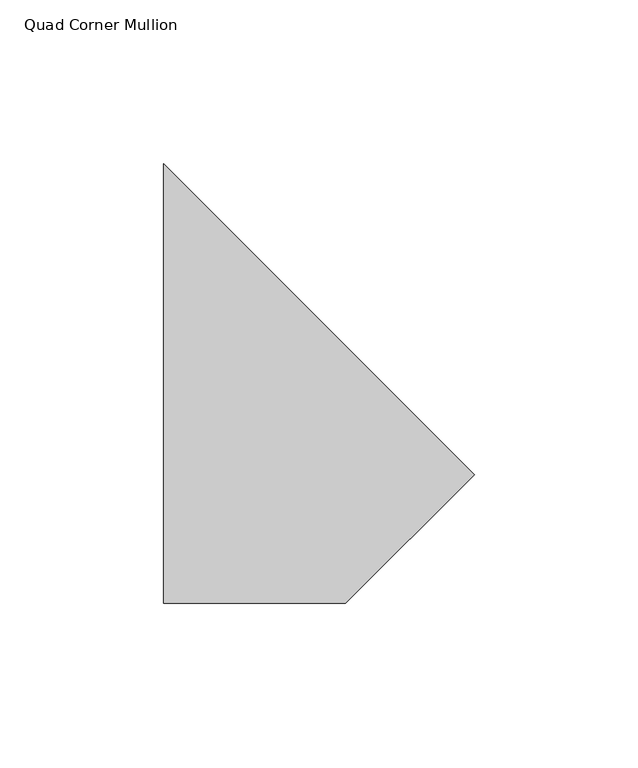
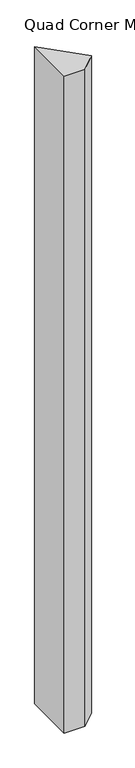
"""IFC4 building model written with IfcOpenShell, lengths in millimetres: member geometry, Quad Corner Mullion."""

from ifc_helpers import new_model, si_unit, frame, origin, place, context, project, spatial, polyline, outline, extrude, source, transform, mapped, element, save


def quad_corner_mullion_ac0a9cd2(model_context):
    return source(origin(), model_context, "Body", "SweptSolid", [
        extrude(outline(polyline([(60.7102351, -12.3245042), (21.3913799, -51.6433594), (-34.2138784, -51.6433594), (-34.2138784, 82.5996094), (60.7102351, -12.3245042)])), frame((0.0, 0.0, -1828.8), z_axis=(0.0, 0.0, 1.0), x_axis=(1.0, 0.0, 0.0)), (0.0, 0.0, 1.0), 1828.8),
    ])


if __name__ == "__main__":
    model = new_model("IFC4")
    model_context = context("Model", 3, world=origin())
    ifc_project = project(units=[si_unit("LENGTHUNIT", "METRE", prefix="MILLI")], contexts=[model_context])
    site = spatial("IfcSite", under=ifc_project)
    building = spatial("IfcBuilding", under=site)
    placement = place(None, origin())
    quad_corner_mullion_shape = quad_corner_mullion_ac0a9cd2(model_context)
    element("IfcMember", 1, ObjectType="Quad Corner Mullion", at=placement, inside=building, context=model_context, shape_type="MappedRepresentation", body=[
        mapped(quad_corner_mullion_shape, transform((0.0, 0.0, 0.0), x_axis=(1.0, 0.0, 0.0), y_axis=(0.0, 1.0, 0.0), z_axis=(0.0, 0.0, 1.0))),
    ])
    save(model, "model.ifc")
